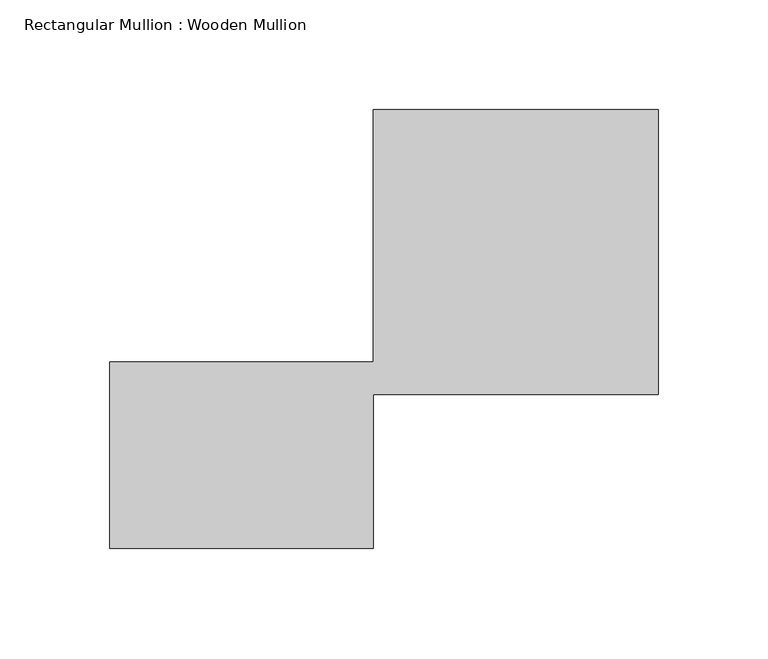
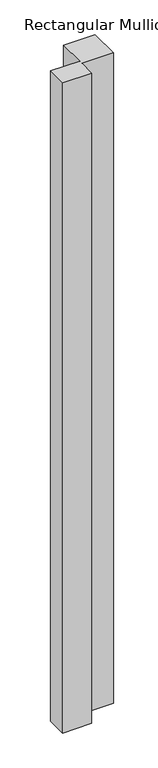
"""IFC4 building model written with IfcOpenShell, lengths in millimetres: member geometry, Rectangular Mullion : Wooden Mullion."""

from ifc_helpers import new_model, si_unit, frame, origin, place, context, project, spatial, polyline, outline, extrude, source, transform, mapped, element, save


def rectangular_mullion_wooden_mullion_6f81de7e(model_context):
    return source(origin(), model_context, "Body", "SweptSolid", [
        extrude(outline(polyline([(74.8100006, -26.0137344), (-45.1899994, -26.0137344), (-45.1899994, 58.9862656), (74.8100006, 58.9862656), (74.8100006, 173.9862656), (204.8100006, 173.9862656), (204.8100006, 43.9862656), (74.8100006, 43.9862656), (74.8100006, -26.0137344)])), frame((0.0, 0.0, -2838.9081053), z_axis=(0.0, 0.0, 1.0), x_axis=(1.0, 0.0, 0.0)), (0.0, 0.0, 1.0), 2838.9081053),
    ])


if __name__ == "__main__":
    model = new_model("IFC4")
    model_context = context("Model", 3, world=origin())
    ifc_project = project(units=[si_unit("LENGTHUNIT", "METRE", prefix="MILLI")], contexts=[model_context])
    site = spatial("IfcSite", under=ifc_project)
    building = spatial("IfcBuilding", under=site)
    placement = place(None, origin())
    rectangular_mullion_wooden_mullion_shape = rectangular_mullion_wooden_mullion_6f81de7e(model_context)
    element("IfcMember", 1, ObjectType="Rectangular Mullion : Wooden Mullion", at=placement, inside=building, context=model_context, shape_type="MappedRepresentation", body=[
        mapped(rectangular_mullion_wooden_mullion_shape, transform((0.0, 0.0, 0.0), x_axis=(1.0, 0.0, 0.0), y_axis=(0.0, 1.0, 0.0), z_axis=(0.0, 0.0, 1.0))),
    ])
    save(model, "model.ifc")
